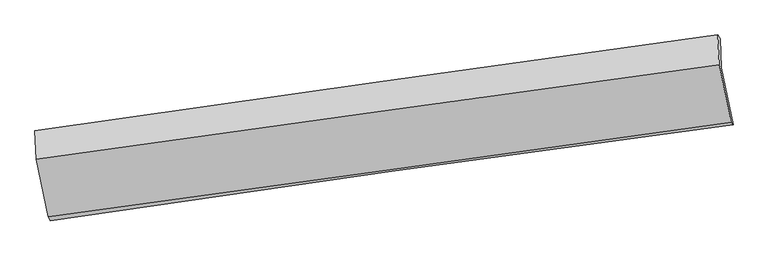
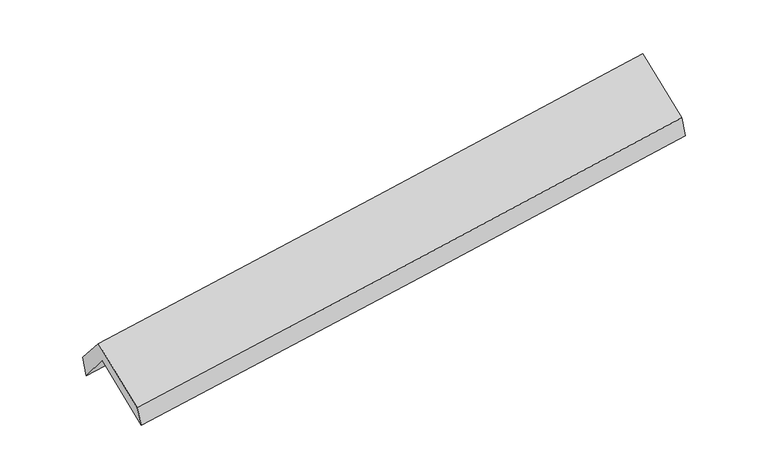
"""IFC4 building model written with IfcOpenShell, lengths in millimetres: proxy geometry."""

from ifc_helpers import new_model, si_unit, frame, origin, place, context, project, spatial, source, transform, mapped, element, save
from ifc_brep_helpers import plane_surface, spline_curve, spline_surface, advanced_brep


def generic_models_889e5efc(model_context):
    return source(origin(), model_context, "Body", "AdvancedBrep", [
        advanced_brep(
        [(-2900.9312551, -2503.9655832, 1460.3990193), (-3005.0935407, -2003.8127893, 1885.4934443), (2946.4372144, -1170.3978413, 2368.8412469), (3049.50715, -1666.8764527, 1946.8818851), (-3015.579052, -1748.1389159, 1570.6676737), (2936.1202828, -918.8345369, 2059.0770537), (-3034.3695963, -1718.0266988, 1752.0540041), (2916.5762533, -883.9896625, 2242.4859902), (-3022.8510193, -1969.3057136, 2046.3695488), (2928.4499452, -1142.0617737, 2544.1507151), (-2919.5255139, -2467.9358531, 1629.036152), (3031.6327011, -1645.0885032, 2132.1999524)],
        [
            (0, 1),
            (1, 2, spline_curve(3, [(-3005.0935407, -2003.8127893, 1885.4934443), (-2012.914829392, -1857.893019748, 1950.724597337), (-1020.868967521, -1715.482473362, 2023.618732727), (962.974622318, -1437.677366317, 2184.734395611), (1954.772345519, -1302.28293022, 2272.956194331), (2946.4372144, -1170.3978413, 2368.8412469)], [4, 2, 4], [0.0, 9.890092639792408, 19.780360417347143])),
            (2, 3),
            (3, 0, spline_curve(3, [(3049.50715, -1666.8764527, 1946.8818851), (2057.759987168, -1798.104529153, 1851.553201632), (1066.012148261, -1933.476649392, 1763.348325117), (-917.467320088, -2212.506506243, 1601.187622274), (-1909.198949607, -2356.16409627, 1527.2315435), (-2900.9312551, -2503.9655832, 1460.3990193)], [4, 2, 4], [0.0, 9.890267777554735, 19.780360417347143])),
            (1, 4),
            (4, 5, spline_curve(3, [(-3015.579052, -1748.1389159, 1570.6676737), (-2023.285014342, -1605.031210681, 1639.361481095), (-1031.167440745, -1464.369250142, 1714.408749866), (952.732343839, -1187.934370269, 1877.211651411), (1944.514548388, -1052.161537897, 1964.967509357), (2936.1202828, -918.8345369, 2059.0770537)], [4, 2, 4], [0.0, 9.89030310820682, 19.780781357903027])),
            (5, 2),
            (4, 6),
            (6, 7, spline_curve(3, [(-3034.3695963, -1718.0266988, 1752.0540041), (-2042.334245864, -1576.000428927, 1825.998679487), (-1050.40880634, -1435.484809689, 1903.839952623), (933.239814011, -1157.472410555, 2067.317143624), (1924.962990904, -1019.97568452, 2152.953198775), (2916.5762533, -883.9896625, 2242.4859902)], [4, 2, 4], [0.0, 9.890234308980943, 19.780643758232948])),
            (7, 5),
            (6, 8),
            (8, 9, spline_curve(3, [(-3022.8510193, -1969.3057136, 2046.3695488), (-2030.636459443, -1830.675750966, 2123.988935705), (-1038.591822078, -1692.424381731, 2204.280002209), (945.175172196, -1416.676388562, 2370.206962728), (1936.897523065, -1279.179777639, 2455.842951915), (2928.4499452, -1142.0617737, 2544.1507151)], [4, 2, 4], [0.0, 9.890226021572596, 19.780627183269495])),
            (9, 7),
            (8, 10),
            (10, 11, spline_curve(3, [(-2919.5255139, -2467.9358531, 1629.036152), (-1927.276557583, -2331.489406026, 1709.355322752), (-935.226617587, -2194.696180203, 1791.444837599), (1048.492794485, -1920.413742467, 1959.166041826), (2040.162259316, -1782.924518342, 2044.797793588), (3031.6327011, -1645.0885032, 2132.1999524)], [4, 2, 4], [0.0, 9.889960260814696, 19.780095657047497])),
            (11, 9),
            (10, 0),
            (3, 11),
        ],
        [
            spline_surface(3, 3, [[(-2900.9312551, -2503.9655832, 1460.3990193), (-1909.198949504, -2356.164096336, 1527.231543396), (-917.467320098, -2212.506506271, 1601.187622217), (1066.012148271, -1933.476649364, 1763.348325174), (2057.759987274, -1798.104529213, 1851.553201647), (3049.50715, -1666.8764527, 1946.8818851)], [(-2935.652016969, -2337.247985259, 1602.097160954), (-1943.770909439, -2190.073737536, 1668.39589467), (-951.934535887, -2046.831828631, 1741.997992394), (1031.666306274, -1768.210221702, 1903.810348643), (2023.430773362, -1632.830662875, 1992.020865871), (3015.150504825, -1501.383582213, 2087.535005732)], [(-2970.372778831, -2170.530387241, 1743.795302646), (-1978.342869367, -2023.983378657, 1809.560245982), (-986.401751685, -1881.157150967, 1882.808362576), (997.320464268, -1602.943794015, 2044.272372115), (1989.101559376, -1467.556796597, 2132.48853), (2980.793859575, -1335.890711787, 2228.188126268)], [(-3005.0935407, -2003.8127893, 1885.4934443), (-2012.914829302, -1857.893019857, 1950.724597256), (-1020.868967474, -1715.482473327, 2023.618732754), (962.974622271, -1437.677366352, 2184.734395584), (1954.772345464, -1302.282930258, 2272.956194224), (2946.4372144, -1170.3978413, 2368.8412469)]], [4, 4], [4, 2, 4], [0.0, 2.1640755606721043], [0.0, 9.890092639792408, 19.780360417347143]),
            spline_surface(3, 3, [[(-3005.0935407, -2003.8127893, 1885.4934443), (-2012.914829302, -1857.893019857, 1950.724597256), (-1020.868967474, -1715.482473327, 2023.618732754), (962.974622271, -1437.677366352, 2184.734395584), (1954.772345464, -1302.282930258, 2272.956194224), (2946.4372144, -1170.3978413, 2368.8412469)], [(-3008.588711132, -1918.588164813, 1780.551520772), (-2016.371557623, -1773.605750096, 1846.936891873), (-1024.301791883, -1631.778065532, 1920.548738435), (959.560529452, -1354.42970101, 2082.226814203), (1951.353079808, -1218.909132848, 2170.29329926), (2942.998237193, -1086.543406506, 2265.58651581)], [(-3012.083881568, -1833.363540387, 1675.609597228), (-2019.828285946, -1689.318480397, 1743.149186475), (-1027.734616301, -1548.073657809, 1817.478744135), (956.146436623, -1271.18203574, 1979.719232843), (1947.933814174, -1135.535335421, 2067.630404367), (2939.559260007, -1002.688971694, 2162.33178479)], [(-3015.579052, -1748.1389159, 1570.6676737), (-2023.285014267, -1605.031210636, 1639.361481092), (-1031.16744071, -1464.369250014, 1714.408749815), (952.732343804, -1187.934370397, 1877.211651462), (1944.514548518, -1052.161538011, 1964.967509403), (2936.1202828, -918.8345369, 2059.0770537)]], [4, 4], [4, 2, 4], [0.0, 1.3037345978421295], [0.0, 9.89030310820682, 19.780781357903027]),
            spline_surface(3, 3, [[(-3015.579052, -1748.1389159, 1570.6676737), (-2023.285014267, -1605.031210636, 1639.361481092), (-1031.16744071, -1464.369250014, 1714.408749815), (952.732343804, -1187.934370397, 1877.211651462), (1944.514548518, -1052.161538011, 1964.967509403), (2936.1202828, -918.8345369, 2059.0770537)], [(-3021.842566767, -1738.10151019, 1631.129783829), (-2029.634758141, -1595.354283378, 1701.573880513), (-1037.581229293, -1454.741103205, 1777.552484138), (946.23483386, -1177.780383821, 1940.580148801), (1937.997362707, -1041.43292018, 2027.629405851), (2929.605606307, -907.219578771, 2120.213365863)], [(-3028.106081533, -1728.06410451, 1691.591893971), (-2035.984502015, -1585.677356151, 1763.786279946), (-1043.995017797, -1445.11295639, 1840.696218453), (939.737323995, -1167.62639724, 2003.948646132), (1931.480176877, -1030.704302335, 2090.291302309), (2923.090929793, -895.604620629, 2181.349678037)], [(-3034.3695963, -1718.0266988, 1752.0540041), (-2042.334245889, -1576.000428893, 1825.998679366), (-1050.40880638, -1435.48480958, 1903.839952776), (933.239814051, -1157.472410663, 2067.317143472), (1924.962991066, -1019.975684504, 2152.953198758), (2916.5762533, -883.9896625, 2242.4859902)]], [4, 4], [4, 2, 4], [0.0, 0.6333602263430291], [0.0, 9.890234308980943, 19.780643758232948]),
            spline_surface(3, 3, [[(-3034.3695963, -1718.0266988, 1752.0540041), (-2042.334245889, -1576.000428893, 1825.998679366), (-1050.40880638, -1435.48480958, 1903.839952776), (933.239814051, -1157.472410663, 2067.317143472), (1924.962991066, -1019.975684504, 2152.953198758), (2916.5762533, -883.9896625, 2242.4859902)], [(-3030.530070648, -1801.786370422, 1850.159185669), (-2038.434983731, -1660.892202964, 1925.328764827), (-1046.469811576, -1521.131333667, 2003.986635884), (937.218266775, -1243.8737366, 2168.280416621), (1928.941168357, -1106.377048911, 2253.916449839), (2920.534150589, -970.013699579, 2343.040898509)], [(-3026.690544952, -1885.546041978, 1948.264367231), (-2034.535721529, -1745.783976967, 2024.658850279), (-1042.530816841, -1606.777857743, 2104.133318951), (941.196719431, -1330.275062527, 2269.243689729), (1932.919345681, -1192.778413279, 2354.879700893), (2924.492047911, -1056.037736621, 2443.595806791)], [(-3022.8510193, -1969.3057136, 2046.3695488), (-2030.636459371, -1830.675751038, 2123.988935739), (-1038.591822037, -1692.424381829, 2204.28000206), (945.175172156, -1416.676388464, 2370.206962878), (1936.897522972, -1279.179777686, 2455.842951974), (2928.4499452, -1142.0617737, 2544.1507151)]], [4, 4], [4, 2, 4], [0.0, 1.30305048602867], [0.0, 9.890226021572596, 19.780627183269495]),
            spline_surface(3, 3, [[(-3022.8510193, -1969.3057136, 2046.3695488), (-2030.636459371, -1830.675751038, 2123.988935739), (-1038.591822037, -1692.424381829, 2204.28000206), (945.175172156, -1416.676388464, 2370.206962878), (1936.897522972, -1279.179777686, 2455.842951974), (2928.4499452, -1142.0617737, 2544.1507151)], [(-2988.409184152, -2135.515760081, 1907.258416532), (-1996.183158791, -1997.61363601, 1985.777731362), (-1004.136753886, -1859.848314607, 2066.668280577), (979.614379591, -1584.588839803, 2233.193322489), (1971.319101775, -1447.094691218, 2318.827899143), (2962.844197167, -1309.737350175, 2406.83379419)], [(-2953.967349048, -2301.725806619, 1768.147284268), (-1961.729858255, -2164.55152104, 1847.566526988), (-969.681685724, -2027.272247397, 1929.056559145), (1014.053587035, -1752.501291155, 2096.179682151), (2005.740680577, -1615.009604825, 2181.812846343), (2997.238449133, -1477.412926725, 2269.51687331)], [(-2919.5255139, -2467.9358531, 1629.036152), (-1927.276557675, -2331.489406013, 1709.355322611), (-935.226617572, -2194.696180175, 1791.444837663), (1048.49279447, -1920.413742494, 1959.166041762), (2040.16225938, -1782.924518358, 2044.797793511), (3031.6327011, -1645.0885032, 2132.1999524)]], [4, 4], [4, 2, 4], [0.0, 2.159844463221324], [0.0, 9.889960260814696, 19.780095657047497]),
            spline_surface(3, 3, [[(-2919.5255139, -2467.9358531, 1629.036152), (-1927.276557675, -2331.489406013, 1709.355322611), (-935.226617572, -2194.696180175, 1791.444837663), (1048.49279447, -1920.413742494, 1959.166041762), (2040.16225938, -1782.924518358, 2044.797793511), (3031.6327011, -1645.0885032, 2132.1999524)], [(-2913.327427632, -2479.945763135, 1572.823774442), (-1921.250688283, -2339.714302789, 1648.647396215), (-929.306851747, -2200.632955555, 1728.025765856), (1054.332579071, -1924.768044799, 1893.893469574), (2046.028168665, -1787.984521999, 1980.382929553), (3037.59085072, -1652.351153056, 2070.427263296)], [(-2907.129341368, -2491.955673165, 1516.611396858), (-1915.224818896, -2347.939199561, 1587.939469792), (-923.387085924, -2206.569730891, 1664.606694024), (1060.172363671, -1929.122347059, 1828.620897362), (2051.894077989, -1793.044525573, 1915.968065606), (3043.54900038, -1659.613802844, 2008.654574204)], [(-2900.9312551, -2503.9655832, 1460.3990193), (-1909.198949504, -2356.164096336, 1527.231543396), (-917.467320098, -2212.506506271, 1601.187622217), (1066.012148271, -1933.476649364, 1763.348325174), (2057.759987274, -1798.104529213, 1851.553201647), (3049.50715, -1666.8764527, 1946.8818851)]], [4, 4], [4, 2, 4], [0.0, 0.6379771459890988], [0.0, 9.889690746584852, 19.779556623815143]),
            plane_surface(frame((2968.1205912, -1237.8747951, 2215.6061405), z_axis=(0.9873022538460188, 0.13780068322281233, 0.0790267755504301), x_axis=(0.15673633343900553, -0.7641060224072206, -0.6257601044338902))),
            plane_surface(frame((-2983.0583295, -2068.5309256, 1724.003307), z_axis=(-0.9872256150098434, -0.1381737155209861, -0.07933227216941391), x_axis=(-0.10720692614732615, 0.20773275529768706, 0.9722930511746307))),
        ],
        [
            (0, [[1, 2, 3, 4]]),
            (1, [[5, 6, 7, -2]]),
            (2, [[8, 9, 10, -6]]),
            (3, [[11, 12, 13, -9]]),
            (4, [[14, 15, 16, -12]]),
            (5, [[17, -4, 18, -15]]),
            (6, [[-16, -18, -3, -7, -10, -13]]),
            (7, [[-17, -14, -11, -8, -5, -1]]),
        ],
    ),
    ])


if __name__ == "__main__":
    model = new_model("IFC4")
    model_context = context("Model", 3, world=origin())
    ifc_project = project(units=[si_unit("LENGTHUNIT", "METRE", prefix="MILLI")], contexts=[model_context])
    site = spatial("IfcSite", under=ifc_project)
    building = spatial("IfcBuilding", under=site)
    placement = place(None, origin())
    generic_models_shape = generic_models_889e5efc(model_context)
    element("IfcBuildingElementProxy", 1, Name="Generic Models", at=placement, inside=building, context=model_context, shape_type="MappedRepresentation", body=[
        mapped(generic_models_shape, transform((0.0, 0.0, 0.0), x_axis=(1.0, 0.0, 0.0), y_axis=(0.0, 1.0, 0.0), z_axis=(0.0, 0.0, 1.0))),
    ])
    save(model, "model.ifc")
